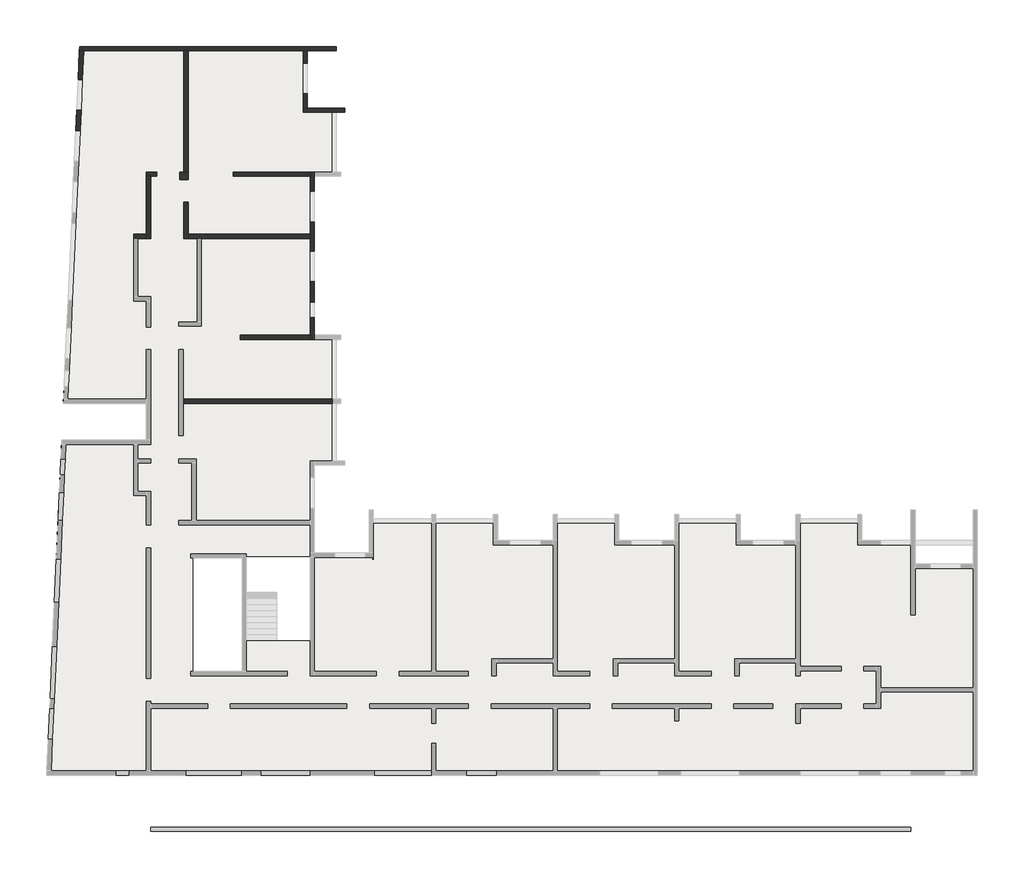
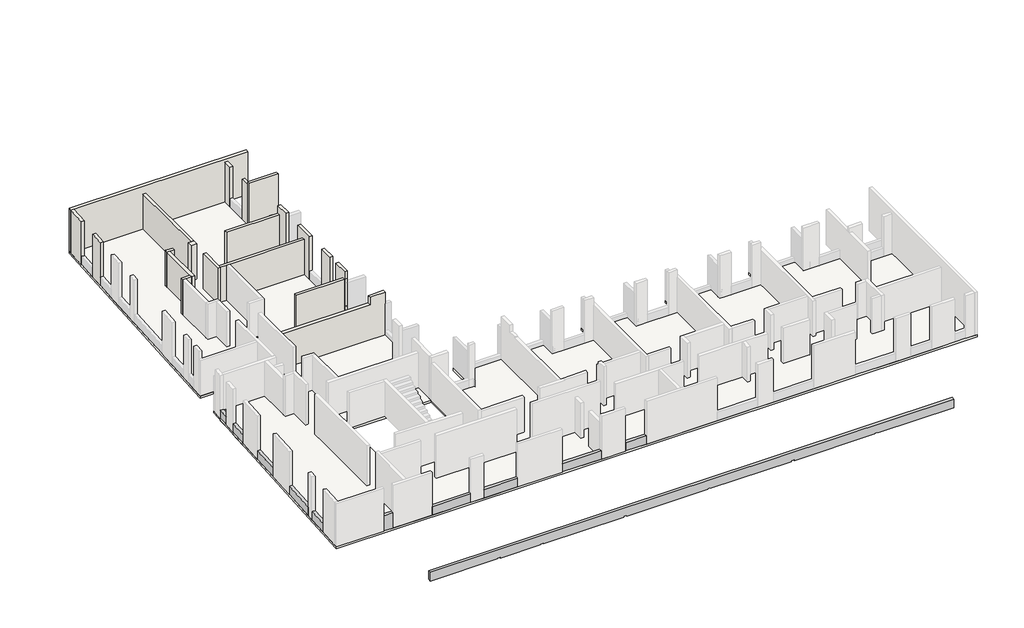
# One storey, part 3 of 5: 20 walls, 11 beams, 1 slab.
"""IFC4 building model written with IfcOpenShell, lengths in millimetres."""

from ifc_helpers import new_model, si_unit, frame, origin, place, context, project, spatial, polyline, outline, extrude, faceted_brep, element, save

model = new_model("IFC4")

# Units and contexts
model_context = context("Model", 3, world=origin())
ifc_project = project(units=[si_unit("LENGTHUNIT", "METRE", prefix="MILLI")], contexts=[model_context])

# Site, building, storey
site = spatial("IfcSite", under=ifc_project)
building = spatial("IfcBuilding", under=site)
storey = spatial("IfcBuildingStorey", under=building, Elevation=19880.0)

# Beams
placement = place(None, origin())
element("IfcBeam", 1, ObjectType="VI. 20/125", at=placement, inside=storey, context=model_context, shape_type="SweptSolid", body=[
    extrude(outline(polyline([(-38350.6912908, -16419.0672499), (-38350.6912908, -16219.0672499), (-37760.6912908, -16219.0672499), (-37760.6912908, -16419.0672499), (-38350.6912908, -16419.0672499)])), frame((0.0, 0.0, 19880.0), z_axis=(0.0, 0.0, 1.0), x_axis=(1.0, 0.0, 0.0)), (0.0, 0.0, 1.0), 1100.0),
])
element("IfcBeam", 2, ObjectType="VI. 20/62.5", at=placement, inside=storey, context=model_context, shape_type="Brep", body=[
    faceted_brep([(-1125.6912908, -19049.0672499, 17925.0), (-1125.6912908, -19049.0672499, 17300.0), (-1125.6912908, -18849.0672499, 17300.0), (-1125.6912908, -18849.0672499, 17500.0), (-1125.6912908, -18849.0672499, 17925.0), (-36735.6912908, -19049.0672499, 17925.0), (-36735.6912908, -19049.0672499, 17300.0), (-32185.6912908, -19049.0672499, 17300.0), (-32185.6912908, -19049.0672499, 17350.0), (-31985.6912908, -19049.0672499, 17350.0), (-31985.6912908, -19049.0672499, 17300.0), (-29265.6912908, -19049.0672499, 17300.0), (-29265.6912908, -19049.0672499, 17350.0), (-29065.6912908, -19049.0672499, 17350.0), (-29065.6912908, -19049.0672499, 17300.0), (-23575.6912908, -19049.0672499, 17300.0), (-23575.6912908, -19049.0672499, 17350.0), (-23375.6912908, -19049.0672499, 17350.0), (-23375.6912908, -19049.0672499, 17300.0), (-17885.6912908, -19049.0672499, 17300.0), (-17885.6912908, -19049.0672499, 17350.0), (-17685.6912908, -19049.0672499, 17350.0), (-17685.6912908, -19049.0672499, 17300.0), (-12195.6912908, -19049.0672499, 17300.0), (-12195.6912908, -19049.0672499, 17350.0), (-11995.6912908, -19049.0672499, 17350.0), (-11995.6912908, -19049.0672499, 17300.0), (-6505.6912908, -19049.0672499, 17300.0), (-6505.6912908, -19049.0672499, 17350.0), (-6305.6912908, -19049.0672499, 17350.0), (-6305.6912908, -19049.0672499, 17300.0), (-6305.6912908, -18849.0672499, 17300.0), (-6305.6912908, -18849.0672499, 17350.0), (-6505.6912908, -18849.0672499, 17350.0), (-6505.6912908, -18849.0672499, 17300.0), (-11995.6912908, -18849.0672499, 17300.0), (-11995.6912908, -18849.0672499, 17350.0), (-12195.6912908, -18849.0672499, 17350.0), (-12195.6912908, -18849.0672499, 17300.0), (-17685.6912908, -18849.0672499, 17300.0), (-17685.6912908, -18849.0672499, 17350.0), (-17885.6912908, -18849.0672499, 17350.0), (-17885.6912908, -18849.0672499, 17300.0), (-23375.6912908, -18849.0672499, 17300.0), (-23375.6912908, -18849.0672499, 17350.0), (-23575.6912908, -18849.0672499, 17350.0), (-23575.6912908, -18849.0672499, 17300.0), (-29065.6912908, -18849.0672499, 17300.0), (-29065.6912908, -18849.0672499, 17350.0), (-29265.6912908, -18849.0672499, 17350.0), (-29265.6912908, -18849.0672499, 17300.0), (-31985.6912908, -18849.0672499, 17300.0), (-31985.6912908, -18849.0672499, 17350.0), (-32185.6912908, -18849.0672499, 17350.0), (-32185.6912908, -18849.0672499, 17300.0), (-36735.6912908, -18849.0672499, 17300.0), (-36735.6912908, -18849.0672499, 17500.0), (-36735.6912908, -18849.0672499, 17925.0)], [[[0, 1, 2, 3, 4]], [[1, 0, 5, 6, 7, 8, 9, 10, 11, 12, 13, 14, 15, 16, 17, 18, 19, 20, 21, 22, 23, 24, 25, 26, 27, 28, 29, 30]], [[2, 1, 30, 31]], [[4, 3, 2, 31, 32, 33, 34, 35, 36, 37, 38, 39, 40, 41, 42, 43, 44, 45, 46, 47, 48, 49, 50, 51, 52, 53, 54, 55, 56, 57]], [[0, 4, 57, 5]], [[6, 5, 57, 56, 55]], [[22, 21, 40, 39]], [[20, 19, 42, 41]], [[43, 18, 17, 44]], [[15, 46, 45, 16]], [[47, 14, 13, 48]], [[11, 50, 49, 12]], [[51, 10, 9, 52]], [[7, 54, 53, 8]], [[30, 29, 32, 31]], [[28, 27, 34, 33]], [[25, 36, 35, 26]], [[37, 24, 23, 38]], [[42, 19, 18, 43]], [[46, 15, 14, 47]], [[50, 11, 10, 51]], [[6, 55, 54, 7]], [[34, 27, 26, 35]], [[22, 39, 38, 23]], [[32, 29, 28, 33]], [[40, 21, 20, 41]], [[52, 9, 8, 53]], [[44, 17, 16, 45]], [[48, 13, 12, 49]], [[36, 25, 24, 37]]]),
])
element("IfcBeam", 3, ObjectType="VI. 20/75", at=placement, inside=storey, context=model_context, shape_type="SweptSolid", body=[
    extrude(outline(polyline([(-41467.4470985, -13297.689544), (-41267.6525789, -13306.7532049), (-41332.9109371, -14745.2737458), (-41532.7054566, -14736.2100849), (-41467.4470985, -13297.689544)])), frame((0.0, 0.0, 19880.0), z_axis=(0.0, 0.0, 1.0), x_axis=(1.0, 0.0, 0.0)), (0.0, 0.0, 1.0), 600.0),
])
element("IfcBeam", 4, ObjectType="VI. 20/75", at=placement, inside=storey, context=model_context, shape_type="SweptSolid", body=[
    extrude(outline(polyline([(-41246.1263843, -12832.2412209), (-41445.9209039, -12823.17756), (-41334.8458454, -10374.6980441), (-41135.0513258, -10383.7617049), (-41246.1263843, -12832.2412209)])), frame((0.0, 0.0, 19880.0), z_axis=(0.0, 0.0, 1.0), x_axis=(1.0, 0.0, 0.0)), (0.0, 0.0, 1.0), 600.0),
])
element("IfcBeam", 5, ObjectType="VI. 20/75", at=placement, inside=storey, context=model_context, shape_type="SweptSolid", body=[
    extrude(outline(polyline([(-41149.2673893, -6283.9052558), (-40949.4728698, -6292.9689167), (-41041.9222105, -8330.8730163), (-41241.7167301, -8321.8093555), (-41149.2673893, -6283.9052558)])), frame((0.0, 0.0, 19880.0), z_axis=(0.0, 0.0, 1.0), x_axis=(1.0, 0.0, 0.0)), (0.0, 0.0, 1.0), 600.0),
])
element("IfcBeam", 6, ObjectType="VI. 20/75", at=placement, inside=storey, context=model_context, shape_type="Brep", body=[
    faceted_brep([(-40807.7955758, -3171.182161, 19730.0), (-41007.5900954, -3162.1185002, 19730.0), (-41007.5900954, -3162.1185002, 19880.0), (-41007.5900954, -3162.1185002, 20480.0), (-40807.7955758, -3171.182161, 20480.0), (-40807.7955758, -3171.182161, 19880.0), (-40867.389146, -4484.8311272, 20480.0), (-41067.1836655, -4475.7674664, 20480.0), (-41067.1836655, -4475.7674664, 19730.0), (-40867.389146, -4484.8311272, 19730.0)], [[[0, 1, 2, 3, 4, 5]], [[6, 7, 8, 9]], [[6, 9, 0, 5, 4]], [[1, 0, 9, 8]], [[8, 7, 3, 2, 1]], [[4, 3, 7, 6]]]),
])
element("IfcBeam", 7, ObjectType="VI. 20/75", at=placement, inside=storey, context=model_context, shape_type="Brep", body=[
    faceted_brep([(-40970.0334959, -2332.9686312, 19730.0), (-40770.2389763, -2342.0322921, 19730.0), (-40770.2389763, -2342.0322921, 19880.0), (-40770.2389763, -2342.0322921, 20480.0), (-40970.0334959, -2332.9686312, 20480.0), (-40970.0334959, -2332.9686312, 19880.0), (-40936.4979507, -1593.7289088, 20480.0), (-40736.7034311, -1602.7925697, 20480.0), (-40736.7034311, -1602.7925697, 19880.0), (-40736.7034311, -1602.7925697, 19730.0), (-40936.4979507, -1593.7289088, 19730.0), (-40936.4979507, -1593.7289088, 19880.0)], [[[0, 1, 2, 3, 4, 5]], [[6, 7, 8, 9, 10, 11]], [[4, 6, 11, 10, 0, 5]], [[1, 0, 10, 9]], [[1, 9, 8, 7, 3, 2]], [[4, 3, 7, 6]]]),
])
element("IfcBeam", 8, ObjectType="VI. 20/75", at=placement, inside=storey, context=model_context, shape_type="SweptSolid", body=[
    extrude(outline(polyline([(-32455.6912908, -16219.0672499), (-32455.6912908, -16419.0672499), (-35095.6912908, -16419.0672499), (-35095.6912908, -16219.0672499), (-32455.6912908, -16219.0672499)])), frame((0.0, 0.0, 19880.0), z_axis=(0.0, 0.0, 1.0), x_axis=(1.0, 0.0, 0.0)), (0.0, 0.0, 1.0), 600.0),
])
element("IfcBeam", 9, ObjectType="VI. 20/75", at=placement, inside=storey, context=model_context, shape_type="SweptSolid", body=[
    extrude(outline(polyline([(-29265.6912908, -16219.0672499), (-29265.6912908, -16419.0672499), (-31585.6912908, -16419.0672499), (-31585.6912908, -16219.0672499), (-29265.6912908, -16219.0672499)])), frame((0.0, 0.0, 19880.0), z_axis=(0.0, 0.0, 1.0), x_axis=(1.0, 0.0, 0.0)), (0.0, 0.0, 1.0), 600.0),
])
element("IfcBeam", 10, ObjectType="VI. 20/75", at=placement, inside=storey, context=model_context, shape_type="SweptSolid", body=[
    extrude(outline(polyline([(-23600.6912908, -16219.0672499), (-23600.6912908, -16419.0672499), (-26230.6912908, -16419.0672499), (-26230.6912908, -16219.0672499), (-23600.6912908, -16219.0672499)])), frame((0.0, 0.0, 19880.0), z_axis=(0.0, 0.0, 1.0), x_axis=(1.0, 0.0, 0.0)), (0.0, 0.0, 1.0), 600.0),
])
element("IfcBeam", 11, ObjectType="VI. 20/75", at=placement, inside=storey, context=model_context, shape_type="SweptSolid", body=[
    extrude(outline(polyline([(-20540.6912908, -16219.0672499), (-20540.6912908, -16419.0672499), (-21930.6912908, -16419.0672499), (-21930.6912908, -16219.0672499), (-20540.6912908, -16219.0672499)])), frame((0.0, 0.0, 19880.0), z_axis=(0.0, 0.0, 1.0), x_axis=(1.0, 0.0, 0.0)), (0.0, 0.0, 1.0), 600.0),
])

# Slab
element("IfcSlab", 12, ObjectType="LHA15", at=placement, inside=storey, context=model_context, shape_type="Brep", body=[
    faceted_brep([(-40059.8363693, 17730.9327501, 19730.0), (-40059.8363693, 17730.9327501, 19880.0), (-29395.6912908, 17730.9327501, 19880.0), (-29395.6912908, 17730.9327501, 19730.0), (-29395.6912908, 16950.9327501, 19880.0), (-29395.6912908, 15510.9327501, 19880.0), (-29395.6912908, 14850.8982988, 19880.0), (-29395.6912908, 14850.8982988, 19730.0), (-27635.6912908, 14850.8982988, 19880.0), (-27635.6912908, 14850.8982988, 19730.0), (-28035.6912908, 14650.9327501, 19730.0), (-28035.6912908, 14650.9327501, 19880.0), (-28035.6912908, 11850.9327501, 19880.0), (-28035.6912908, 11850.9327501, 19730.0), (-27835.6912908, 11650.9327501, 19730.0), (-27835.6912908, 11650.9327501, 19880.0), (-29065.6912908, 11650.9327501, 19880.0), (-29065.6912908, 11650.9327501, 19730.0), (-29065.6912908, 10925.9327501, 19880.0), (-29065.6912908, 9535.9327501, 19880.0), (-29065.6912908, 8150.9327501, 19880.0), (-29065.6912908, 6710.9327501, 19880.0), (-29065.6912908, 5760.9327501, 19880.0), (-29065.6912908, 5020.9327501, 19880.0), (-29065.6912908, 4200.9327501, 19880.0), (-29065.6912908, 4200.9327501, 19730.0), (-27835.6912908, 4200.9327501, 19880.0), (-27835.6912908, 4200.9327501, 19730.0), (-28035.6912908, 1000.9327501, 19730.0), (-28035.6912908, 1000.9327501, 19880.0), (-28035.6912908, -1689.5482142, 19880.0), (-28035.6912908, -1689.5482142, 19730.0), (-29065.6912908, -1889.5482142, 19730.0), (-29065.6912908, -1889.5482142, 19880.0), (-29065.6912908, -2469.0672499, 19880.0), (-29065.6912908, -3909.0672499, 19880.0), (-29065.6912908, -6004.0672499, 19880.0), (-29065.6912908, -6004.0672499, 19730.0), (-28115.6912908, -6004.0672499, 19880.0), (-26675.6912908, -6004.0672499, 19880.0), (-26495.6912908, -6004.0672499, 19880.0), (-26495.6912908, -6004.0672499, 19730.0), (-26495.6912908, -3999.0672499, 19880.0), (-26495.6912908, -3999.0672499, 19730.0), (-26295.6912908, -4399.0672499, 19730.0), (-26295.6912908, -4399.0672499, 19880.0), (-23575.6912908, -4399.0672499, 19880.0), (-23575.6912908, -4399.0672499, 19730.0), (-20485.6912908, -4199.0672499, 19730.0), (-20485.6912908, -4199.0672499, 19880.0), (-20485.6912908, -5419.0672499, 19880.0), (-20485.6912908, -5419.0672499, 19730.0), (-19905.6912908, -5419.0672499, 19880.0), (-18465.6912908, -5419.0672499, 19880.0), (-17885.6912908, -5419.0672499, 19880.0), (-17885.6912908, -5419.0672499, 19730.0), (-17885.6912908, -4199.0672499, 19880.0), (-17885.6912908, -4199.0672499, 19730.0), (-17685.6912908, -4399.0672499, 19730.0), (-17685.6912908, -4399.0672499, 19880.0), (-14995.6912908, -4399.0672499, 19880.0), (-14995.6912908, -4399.0672499, 19730.0), (-14795.6912908, -4199.0672499, 19730.0), (-14795.6912908, -4199.0672499, 19880.0), (-14795.6912908, -5419.0672499, 19880.0), (-14795.6912908, -5419.0672499, 19730.0), (-14215.6912908, -5419.0672499, 19880.0), (-12775.6912908, -5419.0672499, 19880.0), (-12195.6912908, -5419.0672499, 19880.0), (-12195.6912908, -5419.0672499, 19730.0), (-12195.6912908, -4199.0672499, 19880.0), (-12195.6912908, -4199.0672499, 19730.0), (-11995.6912908, -4399.0672499, 19730.0), (-11995.6912908, -4399.0672499, 19880.0), (-9305.6912908, -4399.0672499, 19880.0), (-9305.6912908, -4399.0672499, 19730.0), (-9105.6912908, -4199.0672499, 19730.0), (-9105.6912908, -4199.0672499, 19880.0), (-9105.6912908, -5419.0672499, 19880.0), (-9105.6912908, -5419.0672499, 19730.0), (-8525.6912908, -5419.0672499, 19880.0), (-7085.6912908, -5419.0672499, 19880.0), (-6505.6912908, -5419.0672499, 19880.0), (-6505.6912908, -5419.0672499, 19730.0), (-6505.6912908, -4199.0672499, 19880.0), (-6505.6912908, -4199.0672499, 19730.0), (-6305.6912908, -4399.0672499, 19730.0), (-6305.6912908, -4399.0672499, 19880.0), (-3615.6912908, -4399.0672499, 19880.0), (-3615.6912908, -4399.0672499, 19730.0), (-3415.6912908, -4199.0672499, 19730.0), (-3415.6912908, -4199.0672499, 19880.0), (-3415.6912908, -5419.0672499, 19880.0), (-3415.6912908, -5419.0672499, 19730.0), (-2545.6912908, -5419.0672499, 19880.0), (-1125.6912908, -5419.0672499, 19880.0), (-925.6912908, -5419.0672499, 19880.0), (-925.6912908, -5419.0672499, 19730.0), (-925.6912908, -6519.0672499, 19880.0), (-925.6912908, -6519.0672499, 19730.0), (-925.6912908, -5619.0672499, 19730.0), (-200.6912908, -6519.0672499, 19880.0), (1189.3087092, -6519.0672499, 19880.0), (1994.3087092, -6519.0672499, 19880.0), (1994.3087092, -6519.0672499, 19730.0), (1994.3087092, -16419.0672499, 19880.0), (1994.3087092, -16419.0672499, 19730.0), (-32245.6912908, -10104.0672499, 19730.0), (-32245.6912908, -10104.0672499, 19880.0), (-29265.6912908, -10104.0672499, 19880.0), (-29265.6912908, -10104.0672499, 19730.0), (-29265.6912908, -6184.0672499, 19880.0), (-29265.6912908, -6184.0672499, 19730.0), (-32245.6912908, -6184.0672499, 19880.0), (-32245.6912908, -6184.0672499, 19730.0), (-32245.6912908, -6244.0672499, 19880.0), (-32245.6912908, -6244.0672499, 19730.0), (-34745.6912908, -6244.0672499, 19880.0), (-34745.6912908, -6244.0672499, 19730.0), (-34745.6912908, -11559.0672499, 19880.0), (-34745.6912908, -11559.0672499, 19730.0), (-32245.6912908, -11559.0672499, 19880.0), (-32245.6912908, -11559.0672499, 19730.0), (-27635.6912908, -1889.5482142, 19730.0), (-27635.6912908, -1889.5482142, 19880.0), (-3615.6912908, -4199.0672499, 19880.0), (-6305.6912908, -4199.0672499, 19880.0), (-9305.6912908, -4199.0672499, 19880.0), (-11995.6912908, -4199.0672499, 19880.0), (-14995.6912908, -4199.0672499, 19880.0), (-17685.6912908, -4199.0672499, 19880.0), (-20685.6912908, -4199.0672499, 19880.0), (-20685.6912908, -4399.0672499, 19880.0), (-23375.6912908, -4399.0672499, 19880.0), (-23375.6912908, -4199.0672499, 19880.0), (-23575.6912908, -4199.0672499, 19880.0), (-26295.6912908, -3999.0672499, 19880.0), (-27635.6912908, -1689.5482142, 19880.0), (-27835.6912908, 1000.9327501, 19880.0), (-27835.6912908, 1200.9327501, 19880.0), (-28035.6912908, 1200.9327501, 19880.0), (-28035.6912908, 4000.9327501, 19880.0), (-27835.6912908, 4000.9327501, 19880.0), (-27835.6912908, 11850.9327501, 19880.0), (-27635.6912908, 14650.9327501, 19880.0), (-40130.7851818, 16166.9748617, 19880.0), (-40193.7776247, 14778.4029506, 19880.0), (-40238.4161545, 13794.4149417, 19880.0), (-40303.6745126, 12355.8944008, 19880.0), (-40347.1800848, 11396.8807068, 19880.0), (-40412.4384429, 9958.3601659, 19880.0), (-40436.6837357, 9423.909826, 19880.0), (-40598.016899, 5867.5673776, 19880.0), (-40658.0636522, 4543.9286854, 19880.0), (-40723.3220104, 3105.4081445, 19880.0), (-40748.9268523, 2540.9886267, 19880.0), (-40782.4623975, 1801.7489043, 19880.0), (-40818.7913521, 1000.9327501, 19880.0), (-36935.6912908, 1000.9327501, 19880.0), (-36935.6912908, -714.0672499, 19880.0), (-40896.5921767, -714.0672499, 19880.0), (-41149.2673893, -6283.9052558, 19880.0), (-41241.7167301, -8321.8093555, 19880.0), (-41334.8458454, -10374.6980441, 19880.0), (-41445.9209039, -12823.17756, 19880.0), (-41467.4470985, -13297.689544, 19880.0), (-41532.7054566, -14736.2100849, 19880.0), (-41609.0481243, -16419.0672499, 19880.0), (-38350.6912908, -16419.0672499, 19880.0), (-37760.6912908, -16419.0672499, 19880.0), (-35095.6912908, -16419.0672499, 19880.0), (-32455.6912908, -16419.0672499, 19880.0), (-31585.6912908, -16419.0672499, 19880.0), (-29265.6912908, -16419.0672499, 19880.0), (-26230.6912908, -16419.0672499, 19880.0), (-23600.6912908, -16419.0672499, 19880.0), (-21930.6912908, -16419.0672499, 19880.0), (-20540.6912908, -16419.0672499, 19880.0), (-15705.6912908, -16419.0672499, 19880.0), (-12965.6912908, -16419.0672499, 19880.0), (-11895.6912908, -16419.0672499, 19880.0), (-9155.6912908, -16419.0672499, 19880.0), (-6305.6912908, -16419.0672499, 19880.0), (-3570.6912908, -16419.0672499, 19880.0), (-2555.6912908, -16419.0672499, 19880.0), (-1125.6912908, -16419.0672499, 19880.0), (489.3087092, -16419.0672499, 19880.0), (1179.3087092, -16419.0672499, 19880.0), (-41609.0481243, -16419.0672499, 19730.0), (-40896.5921767, -714.0672499, 19730.0), (-36935.6912908, -714.0672499, 19730.0), (-36935.6912908, 1000.9327501, 19730.0), (-40818.7913521, 1000.9327501, 19730.0), (-27635.6912908, 14650.9327501, 19730.0), (-27835.6912908, 11850.9327501, 19730.0), (-27835.6912908, 4000.9327501, 19730.0), (-28035.6912908, 4000.9327501, 19730.0), (-28035.6912908, 1200.9327501, 19730.0), (-27835.6912908, 1200.9327501, 19730.0), (-27835.6912908, 1000.9327501, 19730.0), (-27635.6912908, -1689.5482142, 19730.0), (-26295.6912908, -3999.0672499, 19730.0), (-23575.6912908, -4199.0672499, 19730.0), (-23375.6912908, -4199.0672499, 19730.0), (-23375.6912908, -4399.0672499, 19730.0), (-20685.6912908, -4399.0672499, 19730.0), (-20685.6912908, -4199.0672499, 19730.0), (-17685.6912908, -4199.0672499, 19730.0), (-14995.6912908, -4199.0672499, 19730.0), (-11995.6912908, -4199.0672499, 19730.0), (-9305.6912908, -4199.0672499, 19730.0), (-6305.6912908, -4199.0672499, 19730.0), (-3615.6912908, -4199.0672499, 19730.0)], [[[0, 1, 2, 3]], [[3, 2, 4, 5, 6, 7]], [[7, 6, 8, 9]], [[10, 11, 12, 13]], [[14, 15, 16, 17]], [[17, 16, 18, 19, 20, 21, 22, 23, 24, 25]], [[25, 24, 26, 27]], [[28, 29, 30, 31]], [[32, 33, 34, 35, 36, 37]], [[37, 36, 38, 39, 40, 41]], [[41, 40, 42, 43]], [[44, 45, 46, 47]], [[48, 49, 50, 51]], [[51, 50, 52, 53, 54, 55]], [[55, 54, 56, 57]], [[58, 59, 60, 61]], [[62, 63, 64, 65]], [[65, 64, 66, 67, 68, 69]], [[69, 68, 70, 71]], [[72, 73, 74, 75]], [[76, 77, 78, 79]], [[79, 78, 80, 81, 82, 83]], [[83, 82, 84, 85]], [[86, 87, 88, 89]], [[90, 91, 92, 93]], [[93, 92, 94, 95, 96, 97]], [[97, 96, 98, 99, 100]], [[99, 98, 101, 102, 103, 104]], [[104, 103, 105, 106]], [[107, 108, 109, 110]], [[110, 109, 111, 112]], [[112, 111, 113, 114]], [[114, 113, 115, 116]], [[116, 115, 117, 118]], [[118, 117, 119, 120]], [[120, 119, 121, 122]], [[122, 121, 108, 107]], [[123, 124, 33, 32]], [[103, 102, 101, 98, 96, 95, 94, 92, 91, 125, 88, 87, 126, 84, 82, 81, 80, 78, 77, 127, 74, 73, 128, 70, 68, 67, 66, 64, 63, 129, 60, 59, 130, 56, 54, 53, 52, 50, 49, 131, 132, 133, 134, 135, 46, 45, 136, 42, 40, 39, 38, 36, 35, 34, 33, 124, 137, 30, 29, 138, 139, 140, 141, 142, 26, 24, 23, 22, 21, 20, 19, 18, 16, 15, 143, 12, 11, 144, 8, 6, 5, 4, 2, 1, 145, 146, 147, 148, 149, 150, 151, 152, 153, 154, 155, 156, 157, 158, 159, 160, 161, 162, 163, 164, 165, 166, 167, 168, 169, 170, 171, 172, 173, 174, 175, 176, 177, 178, 179, 180, 181, 182, 183, 184, 185, 186, 187, 105], [119, 117, 115, 113, 111, 109, 108, 121]], [[104, 106, 188, 189, 190, 191, 192, 0, 3, 7, 9, 193, 10, 13, 194, 14, 17, 25, 27, 195, 196, 197, 198, 199, 28, 31, 200, 123, 32, 37, 41, 43, 201, 44, 47, 202, 203, 204, 205, 206, 48, 51, 55, 57, 207, 58, 61, 208, 62, 65, 69, 71, 209, 72, 75, 210, 76, 79, 83, 85, 211, 86, 89, 212, 90, 93, 97, 100, 99], [120, 122, 107, 110, 112, 114, 116, 118]], [[106, 105, 187, 186, 185, 184, 183, 182, 181, 180, 179, 178, 177, 176, 175, 174, 173, 172, 171, 170, 169, 168, 167, 188]], [[189, 160, 159, 190]], [[190, 159, 158, 191]], [[191, 158, 157, 192]], [[192, 157, 156, 155, 154, 153, 152, 151, 150, 149, 148, 147, 146, 145, 1, 0]], [[9, 8, 144, 193]], [[193, 144, 11, 10]], [[13, 12, 143, 194]], [[194, 143, 15, 14]], [[27, 26, 142, 195]], [[195, 142, 141, 196]], [[196, 141, 140, 197]], [[197, 140, 139, 198]], [[198, 139, 138, 199]], [[199, 138, 29, 28]], [[31, 30, 137, 200]], [[200, 137, 124, 123]], [[43, 42, 136, 201]], [[201, 136, 45, 44]], [[47, 46, 135, 202]], [[202, 135, 134, 203]], [[203, 134, 133, 204]], [[204, 133, 132, 205]], [[205, 132, 131, 206]], [[206, 131, 49, 48]], [[57, 56, 130, 207]], [[207, 130, 59, 58]], [[61, 60, 129, 208]], [[208, 129, 63, 62]], [[71, 70, 128, 209]], [[209, 128, 73, 72]], [[75, 74, 127, 210]], [[210, 127, 77, 76]], [[85, 84, 126, 211]], [[211, 126, 87, 86]], [[89, 88, 125, 212]], [[212, 125, 91, 90]], [[188, 167, 166, 165, 164, 163, 162, 161, 160, 189]]]),
])

# Walls
element("IfcWall", 13, ObjectType="MHA20", at=placement, inside=storey, context=model_context, shape_type="Brep", body=[
    faceted_brep([(-29395.6912908, 16950.9327501, 19880.0), (-29395.6912908, 17530.9327501, 19880.0), (-29395.6912908, 17530.9327501, 22750.0), (-29395.6912908, 16950.9327501, 22750.0), (-29395.6912908, 16950.9327501, 22410.0), (-29395.6912908, 16950.9327501, 20480.0), (-29595.6912908, 16950.9327501, 19880.0), (-29595.6912908, 16950.9327501, 20480.0), (-29595.6912908, 16950.9327501, 22410.0), (-29595.6912908, 16950.9327501, 22750.0), (-29595.6912908, 17530.9327501, 22750.0), (-29595.6912908, 17530.9327501, 19880.0)], [[[0, 1, 2, 3, 4, 5]], [[6, 7, 8, 9, 10, 11]], [[1, 0, 6, 11]], [[3, 2, 10, 9]], [[0, 5, 4, 3, 9, 8, 7, 6]], [[2, 1, 11, 10]]]),
])
element("IfcWall", 14, ObjectType="MHA20", at=placement, inside=storey, context=model_context, shape_type="Brep", body=[
    faceted_brep([(-35205.6912908, 1000.9327501, 19880.0), (-28235.6912908, 1000.9327501, 19880.0), (-28235.6912908, 1000.9327501, 22110.0), (-28235.6912908, 1000.9327501, 22953.7062937), (-29065.6912908, 1000.9327501, 22945.0), (-29265.6912908, 1000.9327501, 22942.9020979), (-29265.6912908, 1000.9327501, 22410.0), (-35205.6912908, 1000.9327501, 22410.0), (-35205.6912908, 1200.9327501, 19880.0), (-35205.6912908, 1200.9327501, 22410.0), (-29265.6912908, 1200.9327501, 22410.0), (-29265.6912908, 1200.9327501, 22942.9020979), (-29065.6912908, 1200.9327501, 22945.0), (-28235.6912908, 1200.9327501, 22953.7062937), (-28235.6912908, 1200.9327501, 22110.0), (-28235.6912908, 1200.9327501, 19880.0)], [[[0, 1, 2, 3, 4, 5, 6, 7]], [[8, 9, 10, 11, 12, 13, 14, 15]], [[0, 7, 9, 8]], [[1, 0, 8, 15]], [[3, 2, 1, 15, 14, 13]], [[7, 6, 10, 9]], [[5, 4, 3, 13, 12, 11]], [[6, 5, 11, 10]]]),
])
element("IfcWall", 15, ObjectType="MHA20", at=placement, inside=storey, context=model_context, shape_type="Brep", body=[
    faceted_brep([(-29065.6912908, 4000.9327501, 19880.0), (-29065.6912908, 4200.9327501, 19880.0), (-29065.6912908, 5020.9327501, 19880.0), (-29065.6912908, 5020.9327501, 20480.0), (-29065.6912908, 5020.9327501, 22410.0), (-29065.6912908, 5020.9327501, 22945.0), (-29065.6912908, 4000.9327501, 22945.0), (-29065.6912908, 4000.9327501, 22410.0), (-29065.6912908, 4000.9327501, 22110.0), (-29265.6912908, 4000.9327501, 19880.0), (-29265.6912908, 4000.9327501, 22410.0), (-29265.6912908, 4000.9327501, 22945.0), (-29265.6912908, 5020.9327501, 22945.0), (-29265.6912908, 5020.9327501, 22410.0), (-29265.6912908, 5020.9327501, 20480.0), (-29265.6912908, 5020.9327501, 19880.0), (-29265.6912908, 4200.9327501, 19880.0)], [[[0, 1, 2, 3, 4, 5, 6, 7, 8]], [[9, 10, 11, 12, 13, 14, 15, 16]], [[2, 1, 0, 9, 16, 15]], [[5, 4, 3, 2, 15, 14, 13, 12]], [[6, 5, 12, 11]], [[7, 6, 11, 10]], [[0, 8, 7, 10, 9]]]),
])
element("IfcWall", 16, ObjectType="MHA20", at=placement, inside=storey, context=model_context, shape_type="Brep", body=[
    faceted_brep([(-29065.6912908, 5760.9327501, 19880.0), (-29065.6912908, 6710.9327501, 19880.0), (-29065.6912908, 6710.9327501, 20480.0), (-29065.6912908, 6710.9327501, 22410.0), (-29065.6912908, 6710.9327501, 22945.0), (-29065.6912908, 5760.9327501, 22945.0), (-29065.6912908, 5760.9327501, 22410.0), (-29065.6912908, 5760.9327501, 20480.0), (-29265.6912908, 5760.9327501, 19880.0), (-29265.6912908, 5760.9327501, 20480.0), (-29265.6912908, 5760.9327501, 22410.0), (-29265.6912908, 5760.9327501, 22945.0), (-29265.6912908, 6710.9327501, 22945.0), (-29265.6912908, 6710.9327501, 22410.0), (-29265.6912908, 6710.9327501, 20480.0), (-29265.6912908, 6710.9327501, 19880.0)], [[[0, 1, 2, 3, 4, 5, 6, 7]], [[8, 9, 10, 11, 12, 13, 14, 15]], [[1, 0, 8, 15]], [[4, 3, 2, 1, 15, 14, 13, 12]], [[5, 4, 12, 11]], [[0, 7, 6, 5, 11, 10, 9, 8]]]),
])
element("IfcWall", 17, ObjectType="MHA20", at=placement, inside=storey, context=model_context, shape_type="Brep", body=[
    faceted_brep([(-29065.6912908, 8150.9327501, 19880.0), (-29065.6912908, 9510.9327501, 19880.0), (-29065.6912908, 9510.9327501, 22945.0), (-29065.6912908, 8150.9327501, 22945.0), (-29065.6912908, 8150.9327501, 22410.0), (-29065.6912908, 8150.9327501, 20480.0), (-29265.6912908, 8150.9327501, 19880.0), (-29265.6912908, 8150.9327501, 20480.0), (-29265.6912908, 8150.9327501, 22410.0), (-29265.6912908, 8150.9327501, 22945.0), (-29265.6912908, 9510.9327501, 22945.0), (-29265.6912908, 9510.9327501, 19880.0), (-29265.6912908, 8930.9327501, 19880.0), (-29265.6912908, 8730.9327501, 19880.0)], [[[0, 1, 2, 3, 4, 5]], [[6, 7, 8, 9, 10, 11, 12, 13]], [[1, 0, 6, 13, 12, 11]], [[2, 1, 11, 10]], [[3, 2, 10, 9]], [[0, 5, 4, 3, 9, 8, 7, 6]]]),
])
element("IfcWall", 18, ObjectType="MHA20", at=placement, inside=storey, context=model_context, shape_type="Brep", body=[
    faceted_brep([(-29065.6912908, 10950.9327501, 19880.0), (-29065.6912908, 11650.9327501, 19880.0), (-29065.6912908, 11850.9327501, 19880.0), (-29065.6912908, 11850.9327501, 22110.0), (-29065.6912908, 11850.9327501, 22410.0), (-29065.6912908, 11850.9327501, 22945.0), (-29065.6912908, 10950.9327501, 22945.0), (-29265.6912908, 10950.9327501, 19880.0), (-29265.6912908, 10950.9327501, 22945.0), (-29265.6912908, 11850.9327501, 22945.0), (-29265.6912908, 11850.9327501, 22410.0), (-29265.6912908, 11850.9327501, 19880.0), (-29265.6912908, 11650.9327501, 19880.0)], [[[0, 1, 2, 3, 4, 5, 6]], [[7, 8, 9, 10, 11, 12]], [[2, 1, 0, 7, 12, 11]], [[6, 5, 9, 8]], [[0, 6, 8, 7]], [[5, 4, 3, 2, 11, 10, 9]]]),
])
element("IfcWall", 19, ObjectType="MHA20", at=placement, inside=storey, context=model_context, shape_type="Brep", body=[
    faceted_brep([(-29595.6912908, 15510.9327501, 19880.0), (-29595.6912908, 14850.9327501, 19880.0), (-29595.6912908, 14850.9327501, 22750.0), (-29595.6912908, 15510.9327501, 22750.0), (-29595.6912908, 15510.9327501, 22410.0), (-29595.6912908, 15510.9327501, 20480.0), (-29395.6912908, 15510.9327501, 19880.0), (-29395.6912908, 15510.9327501, 20480.0), (-29395.6912908, 15510.9327501, 22410.0), (-29395.6912908, 15510.9327501, 22750.0), (-29395.6912908, 14850.9327501, 22750.0), (-29395.6912908, 14850.9327501, 19880.0)], [[[0, 1, 2, 3, 4, 5]], [[6, 7, 8, 9, 10, 11]], [[1, 0, 6, 11]], [[2, 1, 11, 10]], [[3, 2, 10, 9]], [[0, 5, 4, 3, 9, 8, 7, 6]]]),
])
element("IfcWall", 20, ObjectType="MHA20", at=placement, inside=storey, context=model_context, shape_type="SweptSolid", body=[
    extrude(outline(polyline([(-35175.6912908, 11850.9327501), (-35175.6912908, 17530.9327501), (-34975.6912908, 17530.9327501), (-34975.6912908, 11850.9327501), (-35175.6912908, 11850.9327501)])), frame((0.0, 0.0, 19880.0), z_axis=(0.0, 0.0, 1.0), x_axis=(1.0, 0.0, 0.0)), (0.0, 0.0, 1.0), 2530.0),
])
element("IfcWall", 21, ObjectType="MHA20", at=placement, inside=storey, context=model_context, shape_type="Brep", body=[
    faceted_brep([(-35175.6912908, 10430.9327501, 19880.0), (-35175.6912908, 8730.9327501, 19880.0), (-35175.6912908, 8730.9327501, 22410.0), (-35175.6912908, 10430.9327501, 22410.0), (-34975.6912908, 10430.9327501, 19880.0), (-34975.6912908, 10430.9327501, 22410.0), (-34975.6912908, 8930.9327501, 22410.0), (-34975.6912908, 8730.9327501, 22410.0), (-34975.6912908, 8730.9327501, 19880.0), (-34975.6912908, 8930.9327501, 19880.0)], [[[0, 1, 2, 3]], [[4, 5, 6, 7, 8, 9]], [[1, 0, 4, 9, 8]], [[3, 2, 7, 6, 5]], [[0, 3, 5, 4]], [[2, 1, 8, 7]]]),
])
element("IfcWall", 22, ObjectType="MHA20", at=placement, inside=storey, context=model_context, shape_type="Brep", body=[
    faceted_brep([(-36735.6912908, 8730.9327501, 19880.0), (-36735.6912908, 11650.9327501, 19880.0), (-36735.6912908, 11650.9327501, 22410.0), (-36735.6912908, 8730.9327501, 22410.0), (-36935.6912908, 8730.9327501, 19880.0), (-36935.6912908, 8730.9327501, 22410.0), (-36935.6912908, 8930.9327501, 22410.0), (-36935.6912908, 11650.9327501, 22410.0), (-36935.6912908, 11650.9327501, 19880.0), (-36935.6912908, 8930.9327501, 19880.0)], [[[0, 1, 2, 3]], [[4, 5, 6, 7, 8, 9]], [[1, 0, 4, 9, 8]], [[3, 2, 7, 6, 5]], [[0, 3, 5, 4]], [[2, 1, 8, 7]]]),
])
element("IfcWall", 23, ObjectType="MHA20", at=placement, inside=storey, context=model_context, shape_type="Brep", body=[
    faceted_brep([(-36935.6912908, 8930.9327501, 19880.0), (-37535.6912908, 8930.9327501, 19880.0), (-37535.6912908, 8930.9327501, 22410.0), (-36935.6912908, 8930.9327501, 22410.0), (-36935.6912908, 8730.9327501, 19880.0), (-36935.6912908, 8730.9327501, 22410.0), (-37335.6912908, 8730.9327501, 22410.0), (-37535.6912908, 8730.9327501, 22410.0), (-37535.6912908, 8730.9327501, 19880.0), (-37335.6912908, 8730.9327501, 19880.0)], [[[0, 1, 2, 3]], [[4, 5, 6, 7, 8, 9]], [[1, 0, 4, 9, 8]], [[3, 2, 7, 6, 5]], [[0, 3, 5, 4]], [[2, 1, 8, 7]]]),
])
element("IfcWall", 24, ObjectType="MHA20", at=placement, inside=storey, context=model_context, shape_type="Brep", body=[
    faceted_brep([(-36435.6912908, 11850.9327501, 19880.0), (-36935.6912908, 11850.9327501, 19880.0), (-36935.6912908, 11850.9327501, 22410.0), (-36435.6912908, 11850.9327501, 22410.0), (-36435.6912908, 11650.9327501, 19880.0), (-36435.6912908, 11650.9327501, 22410.0), (-36735.6912908, 11650.9327501, 22410.0), (-36935.6912908, 11650.9327501, 22410.0), (-36935.6912908, 11650.9327501, 19880.0), (-36735.6912908, 11650.9327501, 19880.0)], [[[0, 1, 2, 3]], [[4, 5, 6, 7, 8, 9]], [[1, 0, 4, 9, 8]], [[3, 2, 7, 6, 5]], [[0, 3, 5, 4]], [[2, 1, 8, 7]]]),
])
element("IfcWall", 25, ObjectType="MHA20", at=placement, inside=storey, context=model_context, shape_type="Brep", body=[
    faceted_brep([(-40068.9093518, 17530.9327501, 19880.0), (-39868.70366, 17530.9327501, 19880.0), (-35175.6912908, 17530.9327501, 19880.0), (-34975.6912908, 17530.9327501, 19880.0), (-29595.6912908, 17530.9327501, 19880.0), (-29395.6912908, 17530.9327501, 19880.0), (-28035.6912908, 17530.9327501, 19880.0), (-28035.6912908, 17530.9327501, 22960.0), (-39868.70366, 17530.9327501, 22960.0), (-40068.9093518, 17530.9327501, 22960.0), (-40059.8363693, 17730.9327501, 19880.0), (-40059.8363693, 17730.9327501, 22960.0), (-28035.6912908, 17730.9327501, 22960.0), (-28035.6912908, 17730.9327501, 19880.0)], [[[0, 1, 2, 3, 4, 5, 6, 7, 8, 9]], [[10, 11, 12, 13]], [[6, 5, 4, 3, 2, 1, 0, 10, 13]], [[7, 6, 13, 12]], [[9, 8, 7, 12, 11]], [[0, 9, 11, 10]]]),
])
element("IfcWall", 26, ObjectType="MHA20", at=placement, inside=storey, context=model_context, shape_type="SweptSolid", body=[
    extrude(outline(polyline([(-29265.6912908, 11650.9327501), (-32865.6912908, 11650.9327501), (-32865.6912908, 11850.9327501), (-29265.6912908, 11850.9327501), (-29265.6912908, 11650.9327501)])), frame((0.0, 0.0, 19880.0), z_axis=(0.0, 0.0, 1.0), x_axis=(1.0, 0.0, 0.0)), (0.0, 0.0, 1.0), 2530.0),
])
element("IfcWall", 27, ObjectType="MHA20", at=placement, inside=storey, context=model_context, shape_type="Brep", body=[
    faceted_brep([(-34975.6912908, 8730.9327501, 19880.0), (-34555.6912908, 8730.9327501, 19880.0), (-34355.6912908, 8730.9327501, 19880.0), (-29265.6912908, 8730.9327501, 19880.0), (-29265.6912908, 8730.9327501, 22410.0), (-34355.6912908, 8730.9327501, 22410.0), (-34555.6912908, 8730.9327501, 22410.0), (-34975.6912908, 8730.9327501, 22410.0), (-34975.6912908, 8930.9327501, 19880.0), (-34975.6912908, 8930.9327501, 22410.0), (-29265.6912908, 8930.9327501, 22410.0), (-29265.6912908, 8930.9327501, 19880.0)], [[[0, 1, 2, 3, 4, 5, 6, 7]], [[8, 9, 10, 11]], [[3, 2, 1, 0, 8, 11]], [[7, 6, 5, 4, 10, 9]], [[0, 7, 9, 8]], [[4, 3, 11, 10]]]),
])
element("IfcWall", 28, ObjectType="MHA20", at=placement, inside=storey, context=model_context, shape_type="SweptSolid", body=[
    extrude(outline(polyline([(-32545.6912908, 4200.9327501), (-29265.6912908, 4200.9327501), (-29265.6912908, 4000.9327501), (-32545.6912908, 4000.9327501), (-32545.6912908, 4200.9327501)])), frame((0.0, 0.0, 19880.0), z_axis=(0.0, 0.0, 1.0), x_axis=(1.0, 0.0, 0.0)), (0.0, 0.0, 1.0), 2530.0),
])
element("IfcWall", 29, ObjectType="MHA20", at=placement, inside=storey, context=model_context, shape_type="SweptSolid", body=[
    extrude(outline(polyline([(-39868.70366, 17530.9327501), (-39929.8577046, 16182.8855157), (-40129.6522242, 16191.9491766), (-40068.9093518, 17530.9327501), (-39868.70366, 17530.9327501)])), frame((0.0, 0.0, 19880.0), z_axis=(0.0, 0.0, 1.0), x_axis=(1.0, 0.0, 0.0)), (0.0, 0.0, 1.0), 3080.0),
])
element("IfcWall", 30, ObjectType="MHA20", at=placement, inside=storey, context=model_context, shape_type="Brep", body=[
    faceted_brep([(-40194.9105823, 14753.4286357, 19880.0), (-40238.4161545, 13794.4149417, 19880.0), (-40238.4161545, 13794.4149417, 20480.0), (-40238.4161545, 13794.4149417, 22410.0), (-40238.4161545, 13794.4149417, 22960.0), (-40194.9105823, 14753.4286357, 22960.0), (-39995.1160628, 14744.3649748, 19880.0), (-39995.1160628, 14744.3649748, 22960.0), (-40038.6216349, 13785.3512809, 22960.0), (-40038.6216349, 13785.3512809, 22410.0), (-40038.6216349, 13785.3512809, 20480.0), (-40038.6216349, 13785.3512809, 19880.0)], [[[0, 1, 2, 3, 4, 5]], [[6, 7, 8, 9, 10, 11]], [[1, 0, 6, 11]], [[4, 3, 2, 1, 11, 10, 9, 8]], [[5, 4, 8, 7]], [[0, 5, 7, 6]]]),
])
element("IfcWall", 31, ObjectType="MHA20", at=placement, inside=storey, context=model_context, shape_type="Brep", body=[
    faceted_brep([(-29595.6912908, 14650.9327501, 19880.0), (-28235.6912908, 14650.9327501, 19880.0), (-28035.6912908, 14650.9327501, 19880.0), (-27635.6912908, 14650.9327501, 19880.0), (-27635.6912908, 14650.9327501, 22960.0), (-29595.6912908, 14650.9327501, 22960.0), (-29595.6912908, 14850.9327501, 19880.0), (-29595.6912908, 14850.9327501, 22960.0), (-27635.6912908, 14850.9327501, 22960.0), (-27635.6912908, 14850.9327501, 19880.0)], [[[0, 1, 2, 3, 4, 5]], [[6, 7, 8, 9]], [[3, 2, 1, 0, 6, 9]], [[4, 3, 9, 8]], [[5, 4, 8, 7]], [[0, 5, 7, 6]]]),
])
element("IfcWall", 32, ObjectType="MHA35", at=placement, inside=storey, context=model_context, shape_type="SweptSolid", body=[
    extrude(outline(polyline([(-35365.6912908, 11850.9327501), (-34975.6912908, 11850.9327501), (-34975.6912908, 11500.9327501), (-35365.6912908, 11500.9327501), (-35365.6912908, 11850.9327501)])), frame((0.0, 0.0, 19880.0), z_axis=(0.0, 0.0, 1.0), x_axis=(1.0, 0.0, 0.0)), (0.0, 0.0, 1.0), 2530.0),
])

save(model, "model.ifc")
